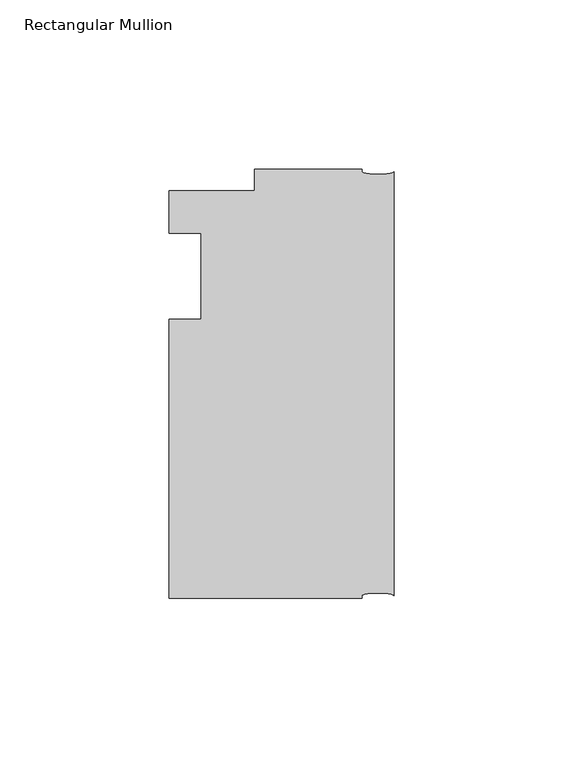
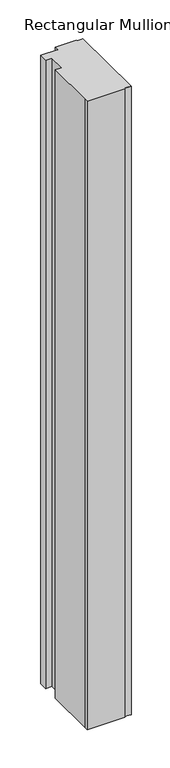
"""IFC4 building model written with IfcOpenShell, lengths in millimetres: member geometry, Rectangular Mullion."""

from ifc_helpers import new_model, si_unit, point, frame, origin, place, context, project, spatial, ellipse_curve, trimmed, source, transform, mapped, element, save
from ifc_brep_helpers import plane_surface, extruded_surface, advanced_brep


def rectangular_mullion_f0710b71(model_context):
    return source(origin(), model_context, "Body", "AdvancedBrep", [
        advanced_brep(
        [(-66.675, -107.95, 0.0), (-9.525, -107.95, 0.0), (-9.525, -107.15625, 0.0), (0.0, -107.15625, 0.0), (0.0, 18.25625, 0.0), (-9.525, 18.25625, 0.0), (-9.525, 19.05, 0.0), (-41.275, 19.05, 0.0), (-41.275, 12.7, 0.0), (-66.675, 12.7, 0.0), (-66.675, 0.0, 0.0), (-57.1482296, 0.0, 0.0), (-57.1482296, -25.4, 0.0), (-66.675, -25.4, 0.0), (-66.675, -101.6, 0.0), (-66.675, -107.95, -1000.125), (-66.675, -101.6, -1000.125), (-66.675, -25.4, -1000.125), (-57.1482296, -25.4, -1000.125), (-57.1482296, 0.0, -1000.125), (-66.675, 0.0, -1000.125), (-66.675, 12.7, -1000.125), (-41.275, 12.7, -1000.125), (-41.275, 19.05, -1000.125), (-9.525, 19.05, -1000.125), (-9.525, 18.25625, -1000.125), (0.0, 18.25625, -1000.125), (0.0, -107.15625, -1000.125), (-9.525, -107.15625, -1000.125), (-9.525, -107.95, -1000.125)],
        [
            (0, 1),
            (1, 2),
            (2, 3, ellipse_curve(frame((-4.7625, -107.15625, 0.0), z_axis=(0.0, 0.0, -1.0), x_axis=(-1.0, 0.0, 0.0)), 4.7625, 0.79375)),
            (3, 4),
            (4, 5, ellipse_curve(frame((-4.7625, 18.25625, 0.0), z_axis=(0.0, 0.0, -1.0), x_axis=(-1.0, 0.0, 0.0)), 4.7625, 0.79375)),
            (5, 6),
            (6, 7),
            (7, 8),
            (8, 9),
            (9, 10),
            (10, 11),
            (11, 12),
            (12, 13),
            (13, 14),
            (14, 0),
            (15, 16),
            (16, 17),
            (17, 18),
            (18, 19),
            (19, 20),
            (20, 21),
            (21, 22),
            (22, 23),
            (23, 24),
            (24, 25),
            (25, 26, ellipse_curve(frame((-4.7625, 18.25625, -1000.125), z_axis=(0.0, 0.0, 1.0), x_axis=(-1.0, 0.0, 0.0)), 4.7625, 0.79375)),
            (26, 27),
            (27, 28, ellipse_curve(frame((-4.7625, -107.15625, -1000.125), z_axis=(0.0, 0.0, 1.0), x_axis=(-1.0, 0.0, 0.0)), 4.7625, 0.79375)),
            (28, 29),
            (29, 15),
            (0, 15),
            (29, 1),
            (28, 2),
            (27, 3),
            (26, 4),
            (25, 5),
            (24, 6),
            (23, 7),
            (22, 8),
            (21, 9),
            (20, 10),
            (19, 11),
            (18, 12),
            (17, 13),
            (16, 14),
        ],
        [
            plane_surface(frame((0.0, -126.8808816, 0.0), z_axis=(0.0, 0.0, 1.0), x_axis=(-1.0, 0.0, 0.0))),
            plane_surface(frame((0.0, -126.8808816, -1000.125), z_axis=(0.0, 0.0, -1.0), x_axis=(-1.0, 0.0, 0.0))),
            plane_surface(frame((-66.675, -107.95, 0.0), z_axis=(0.0, -1.0, 0.0), x_axis=(0.0, 0.0, -1.0))),
            plane_surface(frame((-9.525, -107.95, 0.0), z_axis=(1.0, 0.0, 0.0), x_axis=(0.0, 0.0, -1.0))),
            extruded_surface(trimmed(ellipse_curve(frame((-4.7625, -107.15625, -1000.125), z_axis=(0.0, 0.0, -1.0), x_axis=(-1.0, 0.0, 0.0)), 4.7625, 0.79375), [point((-9.525, -107.15625, -1000.125))], [point((0.0, -107.15625, -1000.125))], True, "CARTESIAN"), (0.0, 0.0, 1000.125), 1000.125),
            plane_surface(frame((0.0, -107.15625, 0.0), z_axis=(1.0, 0.0, 0.0), x_axis=(0.0, 0.0, -1.0))),
            extruded_surface(trimmed(ellipse_curve(frame((-4.7625, 18.25625, -1000.125), z_axis=(0.0, 0.0, -1.0), x_axis=(-1.0, 0.0, 0.0)), 4.7625, 0.79375), [point((0.0, 18.25625, -1000.125))], [point((-9.525, 18.25625, -1000.125))], True, "CARTESIAN"), (0.0, 0.0, 1000.125), 1000.125),
            plane_surface(frame((-9.525, 18.25625, 0.0), z_axis=(1.0, 0.0, 0.0), x_axis=(0.0, 0.0, -1.0))),
            plane_surface(frame((-9.525, 19.05, 0.0), z_axis=(0.0, 1.0, 0.0), x_axis=(0.0, 0.0, -1.0))),
            plane_surface(frame((-41.275, 19.05, 0.0), z_axis=(-1.0, 0.0, 0.0), x_axis=(0.0, 0.0, -1.0))),
            plane_surface(frame((-41.275, 12.7, 0.0), z_axis=(0.0, 1.0, 0.0), x_axis=(0.0, 0.0, -1.0))),
            plane_surface(frame((-66.675, 12.7, 0.0), z_axis=(-1.0, 0.0, 0.0), x_axis=(0.0, 0.0, -1.0))),
            plane_surface(frame((-66.675, 0.0, 0.0), z_axis=(0.0, -1.0, 0.0), x_axis=(0.0, 0.0, -1.0))),
            plane_surface(frame((-57.1482296, 0.0, 0.0), z_axis=(-1.0, 0.0, 0.0), x_axis=(0.0, 0.0, -1.0))),
            plane_surface(frame((-57.1482296, -25.4, 0.0), z_axis=(0.0, 1.0, 0.0), x_axis=(0.0, 0.0, -1.0))),
            plane_surface(frame((-66.675, -25.4, 0.0), z_axis=(-1.0, 0.0, 0.0), x_axis=(0.0, 0.0, -1.0))),
            plane_surface(frame((-66.675, -101.6, 0.0), z_axis=(-1.0, 0.0, 0.0), x_axis=(0.0, 0.0, -1.0))),
        ],
        [
            (0, [[1, 2, 3, 4, 5, 6, 7, 8, 9, 10, 11, 12, 13, 14, 15]]),
            (1, [[16, 17, 18, 19, 20, 21, 22, 23, 24, 25, 26, 27, 28, 29, 30]]),
            (2, [[-1, 31, -30, 32]]),
            (3, [[-2, -32, -29, 33]]),
            (4, [[-3, -33, -28, 34]]),
            (5, [[-4, -34, -27, 35]]),
            (6, [[-5, -35, -26, 36]]),
            (7, [[-6, -36, -25, 37]]),
            (8, [[-7, -37, -24, 38]]),
            (9, [[-8, -38, -23, 39]]),
            (10, [[-9, -39, -22, 40]]),
            (11, [[-10, -40, -21, 41]]),
            (12, [[-11, -41, -20, 42]]),
            (13, [[-12, -42, -19, 43]]),
            (14, [[-13, -43, -18, 44]]),
            (15, [[-14, -44, -17, 45]]),
            (16, [[-15, -45, -16, -31]]),
        ],
    ),
    ])


if __name__ == "__main__":
    model = new_model("IFC4")
    model_context = context("Model", 3, world=origin())
    ifc_project = project(units=[si_unit("LENGTHUNIT", "METRE", prefix="MILLI")], contexts=[model_context])
    site = spatial("IfcSite", under=ifc_project)
    building = spatial("IfcBuilding", under=site)
    placement = place(None, origin())
    rectangular_mullion_shape = rectangular_mullion_f0710b71(model_context)
    element("IfcMember", 1, ObjectType="Rectangular Mullion", at=placement, inside=building, context=model_context, shape_type="MappedRepresentation", body=[
        mapped(rectangular_mullion_shape, transform((0.0, 0.0, 0.0), x_axis=(1.0, 0.0, 0.0), y_axis=(0.0, 1.0, 0.0), z_axis=(0.0, 0.0, 1.0))),
    ])
    save(model, "model.ifc")
